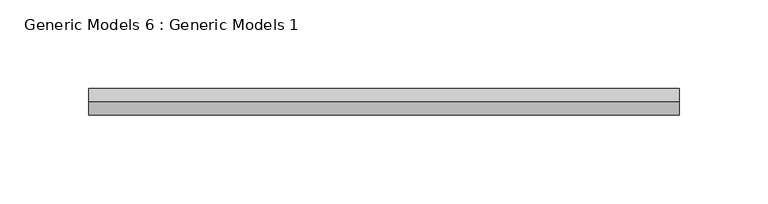
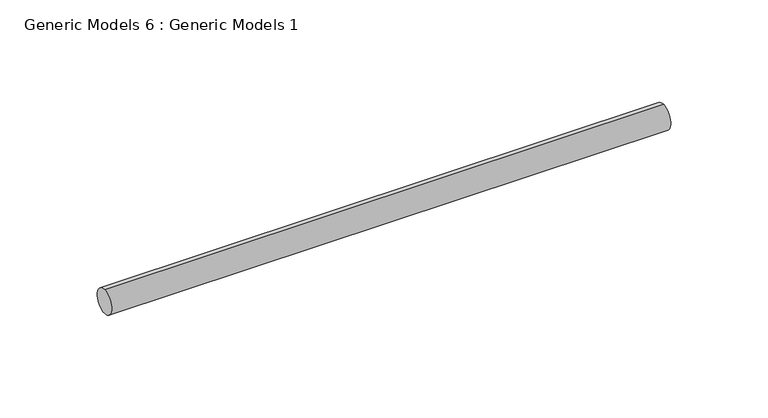
"""IFC4 building model written with IfcOpenShell, lengths in millimetres: proxy geometry, Generic Models 6 : Generic Models 1."""

from ifc_helpers import new_model, si_unit, point, frame, frame_2d, origin, place, context, project, spatial, circle_curve, trimmed, segment, composite_curve, outline, extrude, source, transform, mapped, element, save


def generic_models_6_generic_models_1_ce8cf3f1(model_context):
    return source(origin(), model_context, "Body", "SweptSolid", [
        extrude(outline(composite_curve([segment(trimmed(circle_curve(frame_2d((400.3057469, -814.107223)), 7.5), [point((400.3057469, -821.607223))], [point((400.3057469, -806.607223))], False, "CARTESIAN"), True, "CONTINUOUS"), segment(trimmed(circle_curve(frame_2d((400.3057469, -814.107223)), 7.5), [point((400.3057469, -806.607223))], [point((400.3057469, -821.607223))], False, "CARTESIAN"), True, "CONTINUOUS")], self_intersect=False)), frame((1507.3391801, 0.0, 0.0), z_axis=(1.0, 0.0, 0.0), x_axis=(0.0, 1.0, 0.0)), (0.0, 0.0, 1.0), 332.0),
    ])


if __name__ == "__main__":
    model = new_model("IFC4")
    model_context = context("Model", 3, world=origin())
    ifc_project = project(units=[si_unit("LENGTHUNIT", "METRE", prefix="MILLI")], contexts=[model_context])
    site = spatial("IfcSite", under=ifc_project)
    building = spatial("IfcBuilding", under=site)
    placement = place(None, origin())
    generic_models_6_generic_models_1_shape = generic_models_6_generic_models_1_ce8cf3f1(model_context)
    element("IfcBuildingElementProxy", 1, Name="Generic Models 6 : Generic Models 1", ObjectType="Generic Models 6 : Generic Models 1", at=placement, inside=building, context=model_context, shape_type="MappedRepresentation", body=[
        mapped(generic_models_6_generic_models_1_shape, transform((0.0, 0.0, 0.0), x_axis=(1.0, 0.0, 0.0), y_axis=(0.0, 1.0, 0.0), z_axis=(0.0, 0.0, 1.0))),
    ])
    save(model, "model.ifc")
